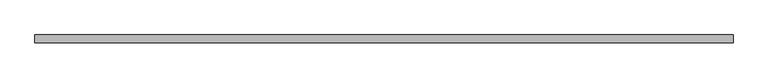
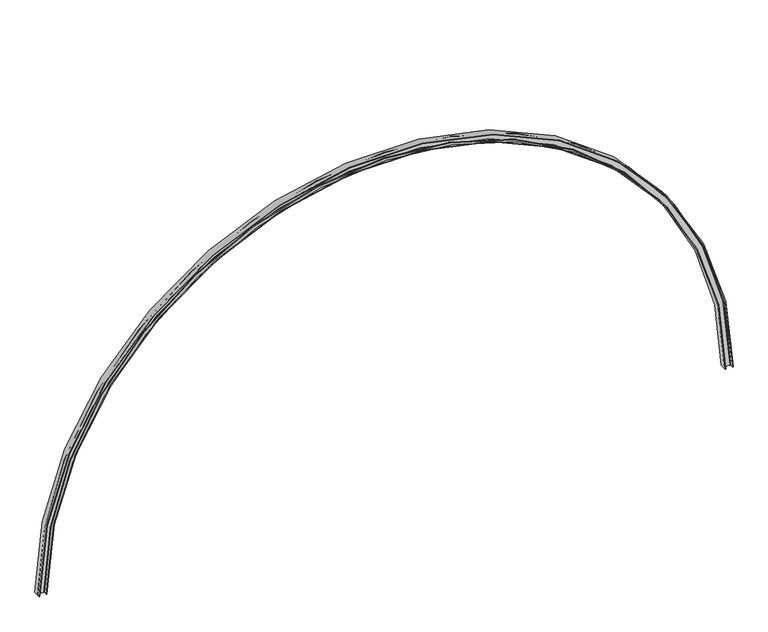
"""IFC4 building model written with IfcOpenShell, lengths in millimetres: beam geometry."""

from ifc_helpers import new_model, si_unit, point, frame, origin, place, context, project, spatial, polyline, circle_curve, ellipse_curve, trimmed, source, transform, mapped, element, save
from ifc_brep_helpers import plane_surface, cylinder_surface, revolved_surface, advanced_brep


def beam_53c1e45a(model_context):
    return source(origin(), model_context, "Body", "AdvancedBrep", [
        advanced_brep(
        [(-5670.0, -62.5, 0.0), (-5670.0, 62.5, 0.0), (-5661.0, 62.5, 0.0), (-5661.0, 11.25, 0.0), (-5653.0, 3.25, 0.0), (-5562.0, 3.25, 0.0), (-5554.0, 11.25, 0.0), (-5554.0, 62.5, 0.0), (-5545.0, 62.5, 0.0), (-5545.0, -62.5, 0.0), (-5554.0, -62.5, 0.0), (-5554.0, -11.25, 0.0), (-5562.0, -3.25, 0.0), (-5653.0, -3.25, 0.0), (-5661.0, -11.25, 0.0), (-5661.0, -62.5, 0.0), (5670.0, 62.5, 0.0), (5670.0, -62.5, 0.0), (5661.0, 62.5, 0.0), (5661.0, 11.25, 0.0), (5653.0, 3.25, 0.0), (5562.0, 3.25, 0.0), (5554.0, 11.25, 0.0), (5554.0, 62.5, 0.0), (5545.0, 62.5, 0.0), (5545.0, -62.5, 0.0), (5554.0, -62.5, 0.0), (5554.0, -11.25, 0.0), (5562.0, -3.25, 0.0), (5653.0, -3.25, 0.0), (5661.0, -11.25, 0.0), (5661.0, -62.5, 0.0)],
        [
            (0, 1),
            (1, 2),
            (2, 3),
            (3, 4, circle_curve(frame((-5653.0, 11.25, 0.0), z_axis=(0.0, 0.0, 1.0), x_axis=(0.0, -1.0, 0.0)), 8.0)),
            (4, 5),
            (5, 6, circle_curve(frame((-5562.0, 11.25, 0.0), z_axis=(0.0, 0.0, 1.0), x_axis=(0.0, -1.0, 0.0)), 8.0)),
            (6, 7),
            (7, 8),
            (8, 9),
            (9, 10),
            (10, 11),
            (11, 12, circle_curve(frame((-5562.0, -11.25, 0.0), z_axis=(0.0, 0.0, 1.0), x_axis=(0.0, -1.0, 0.0)), 8.0)),
            (12, 13),
            (13, 14, circle_curve(frame((-5653.0, -11.25, 0.0), z_axis=(0.0, 0.0, 1.0), x_axis=(0.0, -1.0, 0.0)), 8.0)),
            (14, 15),
            (15, 0),
            (16, 1, circle_curve(frame((0.0, 62.5, 0.0), z_axis=(0.0, -1.0, 0.0), x_axis=(-1.0, 0.0, 0.0)), 5670.0)),
            (0, 17, circle_curve(frame((0.0, -62.5, 0.0), z_axis=(0.0, 1.0, 0.0), x_axis=(-1.0, 0.0, 0.0)), 5670.0)),
            (17, 16),
            (18, 2, circle_curve(frame((0.0, 62.5, 0.0), z_axis=(0.0, -1.0, 0.0), x_axis=(-1.0, 0.0, 0.0)), 5661.0)),
            (16, 18),
            (19, 3, circle_curve(frame((0.0, 11.25, 0.0), z_axis=(0.0, -1.0, 0.0), x_axis=(-1.0, 0.0, 0.0)), 5661.0)),
            (18, 19),
            (20, 4, circle_curve(frame((0.0, 3.25, 0.0), z_axis=(0.0, -1.0, 0.0), x_axis=(-1.0, 0.0, 0.0)), 5653.0)),
            (19, 20, circle_curve(frame((5653.0, 11.25, 0.0), z_axis=(0.0, 0.0, -1.0), x_axis=(0.0, -1.0, 0.0)), 8.0)),
            (21, 5, circle_curve(frame((0.0, 3.25, 0.0), z_axis=(0.0, -1.0, 0.0), x_axis=(-1.0, 0.0, 0.0)), 5562.0)),
            (20, 21),
            (22, 6, circle_curve(frame((0.0, 11.25, 0.0), z_axis=(0.0, -1.0, 0.0), x_axis=(-1.0, 0.0, 0.0)), 5554.0)),
            (21, 22, circle_curve(frame((5562.0, 11.25, 0.0), z_axis=(0.0, 0.0, -1.0), x_axis=(0.0, -1.0, 0.0)), 8.0)),
            (23, 7, circle_curve(frame((0.0, 62.5, 0.0), z_axis=(0.0, -1.0, 0.0), x_axis=(-1.0, 0.0, 0.0)), 5554.0)),
            (22, 23),
            (24, 8, circle_curve(frame((0.0, 62.5, 0.0), z_axis=(0.0, -1.0, 0.0), x_axis=(-1.0, 0.0, 0.0)), 5545.0)),
            (23, 24),
            (25, 9, circle_curve(frame((0.0, -62.5, 0.0), z_axis=(0.0, -1.0, 0.0), x_axis=(-1.0, 0.0, 0.0)), 5545.0)),
            (24, 25),
            (26, 10, circle_curve(frame((0.0, -62.5, 0.0), z_axis=(0.0, -1.0, 0.0), x_axis=(-1.0, 0.0, 0.0)), 5554.0)),
            (25, 26),
            (27, 11, circle_curve(frame((0.0, -11.25, 0.0), z_axis=(0.0, -1.0, 0.0), x_axis=(-1.0, 0.0, 0.0)), 5554.0)),
            (26, 27),
            (28, 12, circle_curve(frame((0.0, -3.25, 0.0), z_axis=(0.0, -1.0, 0.0), x_axis=(-1.0, 0.0, 0.0)), 5562.0)),
            (27, 28, circle_curve(frame((5562.0, -11.25, 0.0), z_axis=(0.0, 0.0, -1.0), x_axis=(0.0, -1.0, 0.0)), 8.0)),
            (29, 13, circle_curve(frame((0.0, -3.25, 0.0), z_axis=(0.0, -1.0, 0.0), x_axis=(-1.0, 0.0, 0.0)), 5653.0)),
            (28, 29),
            (30, 14, circle_curve(frame((0.0, -11.25, 0.0), z_axis=(0.0, -1.0, 0.0), x_axis=(-1.0, 0.0, 0.0)), 5661.0)),
            (29, 30, circle_curve(frame((5653.0, -11.25, 0.0), z_axis=(0.0, 0.0, -1.0), x_axis=(0.0, -1.0, 0.0)), 8.0)),
            (31, 15, circle_curve(frame((0.0, -62.5, 0.0), z_axis=(0.0, -1.0, 0.0), x_axis=(-1.0, 0.0, 0.0)), 5661.0)),
            (30, 31),
            (31, 17),
        ],
        [
            plane_surface(frame((-5607.5, 0.0, 0.0), z_axis=(0.0, 0.0, -1.0), x_axis=(0.0, -1.0, 0.0))),
            cylinder_surface(frame((0.0, 0.0, 0.0), z_axis=(0.0, 1.0, 0.0), x_axis=(-1.0, 0.0, 0.0)), 5670.0),
            plane_surface(frame((0.0, 62.5, 0.0), z_axis=(0.0, 1.0, 0.0), x_axis=(-1.0, 0.0, 0.0))),
            revolved_surface(polyline([(-5661.0, 62.5, 0.0), (-5661.0, 11.25, 0.0)]), (0.0, 0.0, 0.0), (0.0, 1.0, 0.0)),
            revolved_surface(trimmed(ellipse_curve(frame((-5653.0, 11.25, 0.0), z_axis=(0.0, 0.0, 1.0), x_axis=(0.0, -1.0, 0.0)), 8.0, 8.0), [point((-5661.0, 11.25, 0.0))], [point((-5653.0, 3.25, 0.0))], True, "CARTESIAN"), (0.0, 0.0, 0.0), (0.0, 1.0, 0.0)),
            plane_surface(frame((0.0, 3.25, 0.0), z_axis=(0.0, 1.0, 0.0), x_axis=(-1.0, 0.0, 0.0))),
            revolved_surface(trimmed(ellipse_curve(frame((-5562.0, 11.25, 0.0), z_axis=(0.0, 0.0, 1.0), x_axis=(0.0, -1.0, 0.0)), 8.0, 8.0), [point((-5562.0, 3.25, 0.0))], [point((-5554.0, 11.25, 0.0))], True, "CARTESIAN"), (0.0, 0.0, 0.0), (0.0, 1.0, 0.0)),
            cylinder_surface(frame((0.0, 0.0, 0.0), z_axis=(0.0, 1.0, 0.0), x_axis=(-1.0, 0.0, 0.0)), 5554.0),
            revolved_surface(polyline([(-5545.0, 62.5, 0.0), (-5545.0, -62.5, 0.0)]), (0.0, 0.0, 0.0), (0.0, 1.0, 0.0)),
            plane_surface(frame((0.0, -62.5, 0.0), z_axis=(0.0, -1.0, 0.0), x_axis=(-1.0, 0.0, 0.0))),
            revolved_surface(trimmed(ellipse_curve(frame((-5562.0, -11.25, 0.0), z_axis=(0.0, 0.0, 1.0), x_axis=(0.0, -1.0, 0.0)), 8.0, 8.0), [point((-5554.0, -11.25, 0.0))], [point((-5562.0, -3.25, 0.0))], True, "CARTESIAN"), (0.0, 0.0, 0.0), (0.0, 1.0, 0.0)),
            plane_surface(frame((0.0, -3.25, 0.0), z_axis=(0.0, -1.0, 0.0), x_axis=(-1.0, 0.0, 0.0))),
            revolved_surface(trimmed(ellipse_curve(frame((-5653.0, -11.25, 0.0), z_axis=(0.0, 0.0, 1.0), x_axis=(0.0, -1.0, 0.0)), 8.0, 8.0), [point((-5653.0, -3.25, 0.0))], [point((-5661.0, -11.25, 0.0))], True, "CARTESIAN"), (0.0, 0.0, 0.0), (0.0, 1.0, 0.0)),
            revolved_surface(polyline([(-5661.0, -11.25, 0.0), (-5661.0, -62.5, 0.0)]), (0.0, 0.0, 0.0), (0.0, 1.0, 0.0)),
            plane_surface(frame((5607.5, 0.0, 0.0), z_axis=(0.0, 0.0, -1.0), x_axis=(0.0, -1.0, 0.0))),
        ],
        [
            (0, [[1, 2, 3, 4, 5, 6, 7, 8, 9, 10, 11, 12, 13, 14, 15, 16]]),
            (1, [[17, -1, 18, 19]]),
            (2, [[20, -2, -17, 21]]),
            (3, [[22, -3, -20, 23]]),
            (4, [[24, -4, -22, 25]]),
            (5, [[26, -5, -24, 27]]),
            (6, [[28, -6, -26, 29]]),
            (7, [[30, -7, -28, 31]]),
            (2, [[32, -8, -30, 33]]),
            (8, [[34, -9, -32, 35]]),
            (9, [[36, -10, -34, 37]]),
            (7, [[38, -11, -36, 39]]),
            (10, [[40, -12, -38, 41]]),
            (11, [[42, -13, -40, 43]]),
            (12, [[44, -14, -42, 45]]),
            (13, [[46, -15, -44, 47]]),
            (9, [[-18, -16, -46, 48]]),
            (14, [[-48, -47, -45, -43, -41, -39, -37, -35, -33, -31, -29, -27, -25, -23, -21, -19]]),
        ],
    ),
    ])


if __name__ == "__main__":
    model = new_model("IFC4")
    model_context = context("Model", 3, world=origin())
    ifc_project = project(units=[si_unit("LENGTHUNIT", "METRE", prefix="MILLI")], contexts=[model_context])
    site = spatial("IfcSite", under=ifc_project)
    building = spatial("IfcBuilding", under=site)
    placement = place(None, origin())
    beam_shape = beam_53c1e45a(model_context)
    element("IfcBeam", 1, at=placement, inside=building, context=model_context, shape_type="MappedRepresentation", body=[
        mapped(beam_shape, transform((0.0, 0.0, 0.0), x_axis=(1.0, 0.0, 0.0), y_axis=(0.0, 1.0, 0.0), z_axis=(0.0, 0.0, 1.0))),
    ])
    save(model, "model.ifc")
